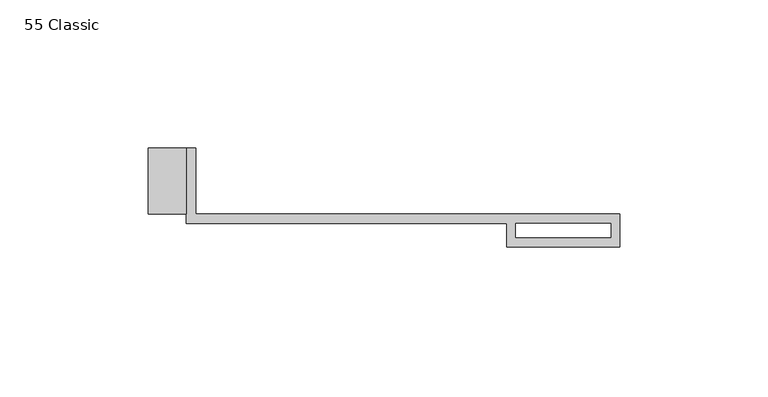
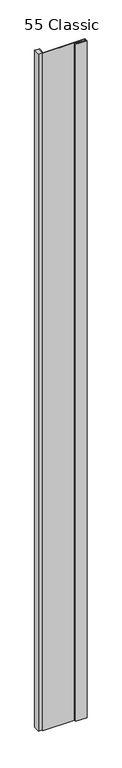
"""IFC4 building model written with IfcOpenShell, lengths in millimetres: proxy geometry, 55 Classic."""

from ifc_helpers import new_model, si_unit, origin, origin_with_axes, place, context, project, spatial, polyline, outline, extrude, source, transform, mapped, element, save


def proxy_55_classic_215f59f3(model_context):
    return source(origin(), model_context, "Body", "SweptSolid", [
        extrude(outline(polyline([(-107.95, 0.0), (-120.65, 0.0), (-120.65, 22.225), (-107.95, 22.225), (-107.95, 0.0)])), origin_with_axes(), (0.0, 0.0, 1.0), 2438.4),
        extrude(outline(polyline([(-107.95, 22.225), (-104.775, 22.225), (-104.775, 0.0), (38.1, 0.0), (38.1, -11.1125), (0.0, -11.1125), (0.0, -3.175), (-107.95, -3.175), (-107.95, 22.225)]), holes=[polyline([(3.175, -3.175), (3.175, -7.9375), (35.1499571, -7.9375), (35.1499571, -3.175), (3.175, -3.175)])]), origin_with_axes(), (0.0, 0.0, 1.0), 2438.4),
    ])


if __name__ == "__main__":
    model = new_model("IFC4")
    model_context = context("Model", 3, world=origin())
    ifc_project = project(units=[si_unit("LENGTHUNIT", "METRE", prefix="MILLI")], contexts=[model_context])
    site = spatial("IfcSite", under=ifc_project)
    building = spatial("IfcBuilding", under=site)
    placement = place(None, origin())
    proxy_55_classic_shape = proxy_55_classic_215f59f3(model_context)
    element("IfcBuildingElementProxy", 1, Name="55 Classic", ObjectType="55 Classic", at=placement, inside=building, context=model_context, shape_type="MappedRepresentation", body=[
        mapped(proxy_55_classic_shape, transform((0.0, 0.0, 0.0), x_axis=(1.0, 0.0, 0.0), y_axis=(0.0, 1.0, 0.0), z_axis=(0.0, 0.0, 1.0))),
    ])
    save(model, "model.ifc")
